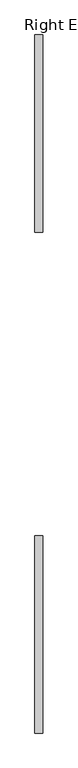
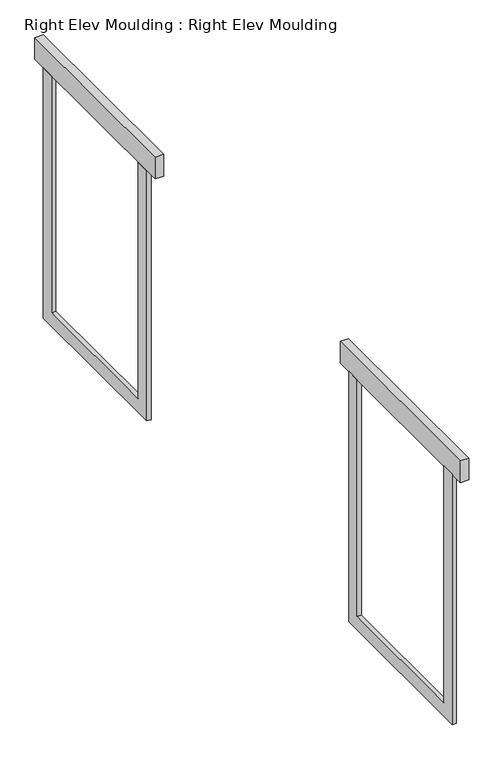
"""IFC4 building model written with IfcOpenShell, lengths in millimetres: proxy geometry, Right Elev Moulding : Right Elev Moulding."""

from ifc_helpers import new_model, si_unit, frame, origin, place, context, project, spatial, polyline, outline, extrude, source, transform, mapped, element, save


def right_elev_moulding_right_elev_moulding_c5aa1b23(model_context):
    return source(origin(), model_context, "Body", "SweptSolid", [
        extrude(outline(polyline([(19710.4, 2286.0), (19799.3, 2286.0), (19799.3, 762.0), (20713.7, 762.0), (20713.7, 2286.0), (20802.6, 2286.0), (20802.6, 673.1), (19710.4, 673.1), (19710.4, 2286.0)])), frame((18288.0, 0.0, 0.0), z_axis=(1.0, 0.0, 0.0), x_axis=(0.0, 1.0, 0.0)), (0.0, 0.0, 1.0), 25.4),
        extrude(outline(polyline([(22936.2, 2286.0), (23025.1, 2286.0), (23025.1, 762.0), (23939.5, 762.0), (23939.5, 2286.0), (24028.4, 2286.0), (24028.4, 673.1), (22936.2, 673.1), (22936.2, 2286.0)])), frame((18288.0, 0.0, 0.0), z_axis=(1.0, 0.0, 0.0), x_axis=(0.0, 1.0, 0.0)), (0.0, 0.0, 1.0), 25.4),
        extrude(outline(polyline([(18338.8, 20891.5), (18338.8, 19621.5), (18288.0, 19621.5), (18288.0, 20891.5), (18338.8, 20891.5)])), frame((0.0, 0.0, 2286.0), z_axis=(0.0, 0.0, 1.0), x_axis=(1.0, 0.0, 0.0)), (0.0, 0.0, 1.0), 139.7),
        extrude(outline(polyline([(18338.8, 24117.3), (18338.8, 22847.3), (18288.0, 22847.3), (18288.0, 24117.3), (18338.8, 24117.3)])), frame((0.0, 0.0, 2286.0), z_axis=(0.0, 0.0, 1.0), x_axis=(1.0, 0.0, 0.0)), (0.0, 0.0, 1.0), 139.7),
    ])


if __name__ == "__main__":
    model = new_model("IFC4")
    model_context = context("Model", 3, world=origin())
    ifc_project = project(units=[si_unit("LENGTHUNIT", "METRE", prefix="MILLI")], contexts=[model_context])
    site = spatial("IfcSite", under=ifc_project)
    building = spatial("IfcBuilding", under=site)
    placement = place(None, origin())
    right_elev_moulding_right_elev_moulding_shape = right_elev_moulding_right_elev_moulding_c5aa1b23(model_context)
    element("IfcBuildingElementProxy", 1, Name="Right Elev Moulding : Right Elev Moulding", ObjectType="Right Elev Moulding : Right Elev Moulding", at=placement, inside=building, context=model_context, shape_type="MappedRepresentation", body=[
        mapped(right_elev_moulding_right_elev_moulding_shape, transform((0.0, 0.0, 0.0), x_axis=(1.0, 0.0, 0.0), y_axis=(0.0, 1.0, 0.0), z_axis=(0.0, 0.0, 1.0))),
    ])
    save(model, "model.ifc")
